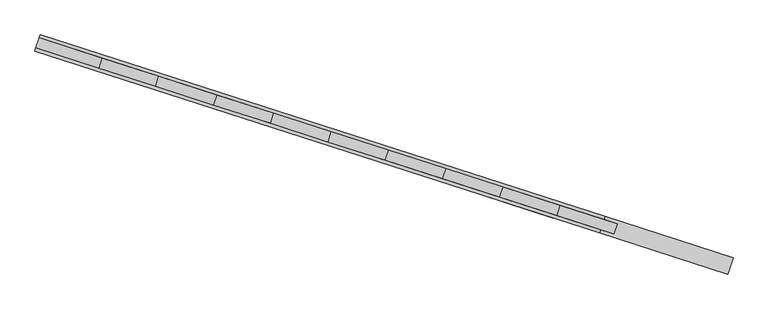
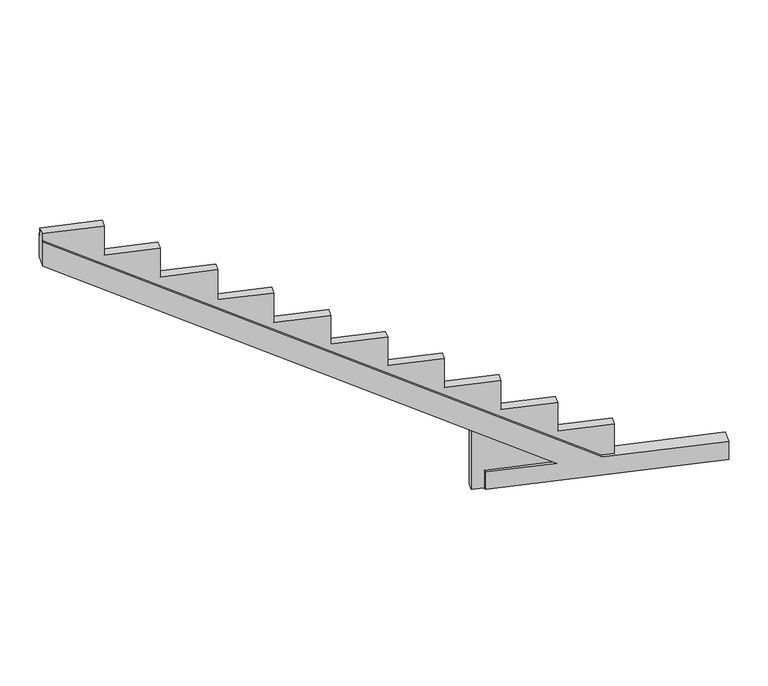
"""IFC4 building model written with IfcOpenShell, lengths in millimetres: beam geometry."""

from ifc_helpers import new_model, si_unit, origin, place, context, project, spatial, faceted_brep, source, transform, mapped, element, save


def beam_093da557(model_context):
    return source(origin(), model_context, "Body", "Brep", [
        faceted_brep([(-116429.8021309, 99507.365535, -282.5034315), (-116429.8021309, 99507.365535, -36.5699712), (-115631.9171549, 99250.3196781, -36.5699712), (-121369.9075312, 101098.8651418, 3615.2789843), (-121369.9075312, 101098.8651418, 3948.3572499), (-115124.2784215, 99086.7792718, -26.5699712), (-113710.4274354, 98631.2943972, -26.5699712), (-113710.4274354, 98631.2943972, -282.5034315), (-116488.0176363, 99326.6612915, -282.5034315), (-113768.6429407, 98450.5901537, -282.5034315), (-113768.6429407, 98450.5901537, -26.5699712), (-115182.4939269, 98906.0750282, -26.5699712), (-121428.1230366, 100918.1608982, 3948.3572499), (-121428.1230366, 100918.1608982, 3615.2789843), (-115690.1326603, 99069.6154346, -36.5699712), (-116488.0176363, 99326.6612915, -36.5699712), (-116476.3979407, 99362.7294883, -282.5034315), (-116624.7364131, 99410.5180679, -282.5034315), (-116588.8183309, 99522.0098403, -282.5034315), (-116440.4798585, 99474.2212606, -282.5034315), (-115134.9561491, 99053.6349974, -26.5699712), (-114991.7050171, 99007.4853504, -26.5699712), (-115027.6230993, 98895.9935781, -26.5699712), (-115170.8742313, 98942.143225, -26.5699712), (-121380.5852588, 101065.7208674, 3948.3572499), (-121416.503341, 100954.229095, 3948.3572499), (-121416.503341, 100954.229095, 4042.4153724), (-121380.5852588, 101065.7208674, 4042.4153724), (-115642.5948825, 99217.1754038, -36.5699712), (-116588.8183309, 99522.0098403, 565.6382733), (-116624.7364131, 99410.5180679, 565.6382733), (-115678.5129647, 99105.6836314, -36.5699712), (-116440.4798585, 99474.2212606, -36.5699712), (-116476.3979407, 99362.7294883, -36.5699712), (-120687.6020333, 100842.4700576, 4042.4153724), (-120687.6020333, 100842.4700576, 3637.4765953), (-120062.4707691, 100641.0783705, 3637.4765953), (-120062.4707691, 100641.0783705, 3233.7280705), (-119419.8981901, 100434.0678062, 3233.7280705), (-119419.8981901, 100434.0678062, 2813.2783254), (-118791.6273546, 100231.6646778, 2813.2783254), (-118791.6273546, 100231.6646778, 2397.8804107), (-118155.383539, 100026.6929817, 2397.8804107), (-118155.383539, 100026.6929817, 1997.4306656), (-117522.3289154, 99822.7487128, 1997.4306656), (-117522.3289154, 99822.7487128, 1598.7080561), (-116889.2991022, 99618.8124367, 1598.7080561), (-116889.2991022, 99618.8124367, 1194.9595313), (-116257.8142642, 99415.3738884, 1194.9595313), (-116257.8142642, 99415.3738884, 787.8863115), (-115624.7596407, 99211.4296194, 787.8863115), (-115624.7596407, 99211.4296194, 390.9167528), (-114991.7050171, 99007.4853504, 390.9167528), (-115027.6230993, 98895.9935781, 390.9167528), (-115660.6777229, 99099.937847, 390.9167528), (-115660.6777229, 99099.937847, 787.8863115), (-116293.7323464, 99303.882116, 787.8863115), (-116293.7323464, 99303.882116, 1194.9595313), (-116925.2171844, 99507.3206643, 1194.9595313), (-116925.2171844, 99507.3206643, 1598.7080561), (-117558.2469976, 99711.2569404, 1598.7080561), (-117558.2469976, 99711.2569404, 1997.4306656), (-118191.3016212, 99915.2012094, 1997.4306656), (-118191.3016212, 99915.2012094, 2397.8804107), (-118827.5454368, 100120.1729054, 2397.8804107), (-118827.5454368, 100120.1729054, 2813.2783254), (-119455.8162723, 100322.5760338, 2813.2783254), (-119455.8162723, 100322.5760338, 3233.7280705), (-120098.3888513, 100529.5865982, 3233.7280705), (-120098.3888513, 100529.5865982, 3637.4765953), (-120723.5201155, 100730.9782853, 3637.4765953), (-120723.5201155, 100730.9782853, 4042.4153724)], [[[0, 1, 2, 3, 4, 5, 6, 7]], [[8, 9, 10, 11, 12, 13, 14, 15]], [[0, 7, 9, 8, 16, 17, 18, 19]], [[7, 6, 10, 9]], [[6, 5, 20, 21, 22, 23, 11, 10]], [[5, 4, 24, 20]], [[12, 11, 23, 25]], [[4, 3, 13, 12, 25, 26, 27, 24]], [[3, 2, 28, 29, 30, 31, 14, 13]], [[2, 1, 32, 28]], [[15, 14, 31, 33]], [[1, 0, 19, 32]], [[8, 15, 33, 16]], [[19, 18, 29, 28, 32]], [[27, 34, 35, 36, 37, 38, 39, 40, 41, 42, 43, 44, 45, 46, 47, 48, 49, 50, 51, 52, 21, 20, 24]], [[17, 16, 33, 31, 30]], [[22, 53, 54, 55, 56, 57, 58, 59, 60, 61, 62, 63, 64, 65, 66, 67, 68, 69, 70, 71, 26, 25, 23]], [[18, 17, 30, 29]], [[21, 52, 53, 22]], [[52, 51, 54, 53]], [[51, 50, 55, 54]], [[50, 49, 56, 55]], [[49, 48, 57, 56]], [[48, 47, 58, 57]], [[47, 46, 59, 58]], [[46, 45, 60, 59]], [[45, 44, 61, 60]], [[44, 43, 62, 61]], [[43, 42, 63, 62]], [[42, 41, 64, 63]], [[41, 40, 65, 64]], [[40, 39, 66, 65]], [[39, 38, 67, 66]], [[38, 37, 68, 67]], [[37, 36, 69, 68]], [[36, 35, 70, 69]], [[35, 34, 71, 70]], [[34, 27, 26, 71]]]),
    ])


if __name__ == "__main__":
    model = new_model("IFC4")
    model_context = context("Model", 3, world=origin())
    ifc_project = project(units=[si_unit("LENGTHUNIT", "METRE", prefix="MILLI")], contexts=[model_context])
    site = spatial("IfcSite", under=ifc_project)
    building = spatial("IfcBuilding", under=site)
    placement = place(None, origin())
    beam_shape = beam_093da557(model_context)
    element("IfcBeam", 1, at=placement, inside=building, context=model_context, shape_type="MappedRepresentation", body=[
        mapped(beam_shape, transform((0.0, 0.0, 0.0), x_axis=(1.0, 0.0, 0.0), y_axis=(0.0, 1.0, 0.0), z_axis=(0.0, 0.0, 1.0))),
    ])
    save(model, "model.ifc")
